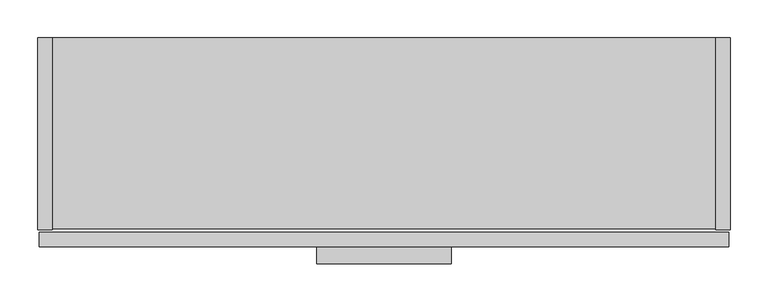
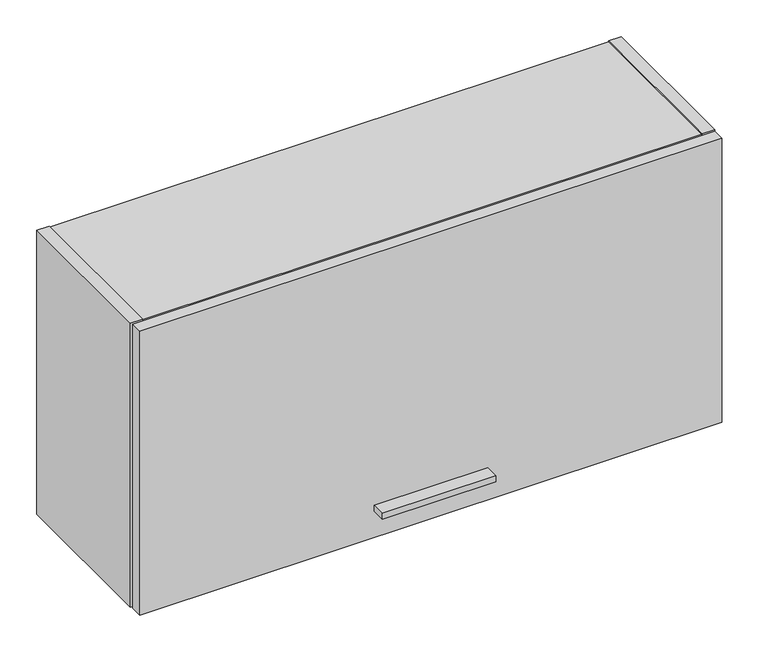
"""IFC4 building model written with IfcOpenShell, lengths in millimetres: furniture geometry."""

from ifc_helpers import new_model, si_unit, point, frame, frame_2d, origin, place, context, project, spatial, polyline, circle_curve, trimmed, segment, composite_curve, outline, extrude, source, transform, mapped, element, save


def furniture_1442b664(model_context):
    return source(origin(), model_context, "Body", "SweptSolid", [
        extrude(outline(polyline([(546.1, -298.45), (368.3, -298.45), (368.3, -276.225), (546.1, -276.225), (546.1, -298.45)])), frame((0.0, 0.0, 1440.8531), z_axis=(0.0, 0.0, 1.0), x_axis=(1.0, 0.0, 0.0)), (0.0, 0.0, 1.0), 9.525),
        extrude(outline(polyline([(912.8125, -276.225), (1.5875, -276.225), (1.5875, -256.921), (912.8125, -256.921), (912.8125, -276.225)])), frame((0.0, 0.0, 1397.0), z_axis=(0.0, 0.0, 1.0), x_axis=(1.0, 0.0, 0.0)), (0.0, 0.0, 1.0), 469.9),
        extrude(outline(polyline([(19.304, -253.746), (0.0, -253.746), (0.0, 0.0), (19.304, 0.0), (19.304, -253.746)])), frame((0.0, 0.0, 1397.0), z_axis=(0.0, 0.0, 1.0), x_axis=(1.0, 0.0, 0.0)), (0.0, 0.0, 1.0), 469.9),
        extrude(outline(composite_curve([segment(polyline([(-253.746, 1397.0), (-253.746, 1866.9), (0.0, 1866.9), (0.0, 1783.842), (-9.5254487, 1783.842)]), True, "CONTINUOUS"), segment(trimmed(circle_curve(frame_2d((-9.5254487, 1780.6674487)), 3.1745513), [point((-9.5254487, 1783.842))], [point((-12.7, 1780.6674487))], True, "CARTESIAN"), True, "CONTINUOUS"), segment(polyline([(-12.7, 1780.6674487), (-12.7, 1679.067)]), True, "CONTINUOUS"), segment(trimmed(circle_curve(frame_2d((-9.525, 1679.067)), 3.175), [point((-12.7, 1679.067))], [point((-9.525, 1675.892))], True, "CARTESIAN"), True, "CONTINUOUS"), segment(polyline([(-9.525, 1675.892), (0.0, 1675.892), (0.0, 1397.0), (-253.746, 1397.0)]), True, "CONTINUOUS")], self_intersect=False)), frame((895.096, 0.0, 0.0), z_axis=(1.0, 0.0, 0.0), x_axis=(0.0, 1.0, 0.0)), (0.0, 0.0, 1.0), 19.304),
        extrude(outline(polyline([(895.096, -252.222), (19.304, -252.222), (19.304, -12.7), (895.096, -12.7), (895.096, -252.222)])), frame((0.0, 0.0, 1398.524), z_axis=(0.0, 0.0, 1.0), x_axis=(1.0, 0.0, 0.0)), (0.0, 0.0, 1.0), 19.304),
        extrude(outline(polyline([(895.096, -12.7), (895.096, -32.004), (19.304, -32.004), (19.304, -12.7), (895.096, -12.7)])), frame((0.0, 0.0, 1417.828), z_axis=(0.0, 0.0, 1.0), x_axis=(1.0, 0.0, 0.0)), (0.0, 0.0, 1.0), 429.768),
        extrude(outline(polyline([(895.096, -252.222), (19.304, -252.222), (19.304, 0.0), (895.096, 0.0), (895.096, -252.222)])), frame((0.0, 0.0, 1847.596), z_axis=(0.0, 0.0, 1.0), x_axis=(1.0, 0.0, 0.0)), (0.0, 0.0, 1.0), 17.78),
    ])


if __name__ == "__main__":
    model = new_model("IFC4")
    model_context = context("Model", 3, world=origin())
    ifc_project = project(units=[si_unit("LENGTHUNIT", "METRE", prefix="MILLI")], contexts=[model_context])
    site = spatial("IfcSite", under=ifc_project)
    building = spatial("IfcBuilding", under=site)
    placement = place(None, origin())
    furniture_shape = furniture_1442b664(model_context)
    element("IfcFurniture", 1, at=placement, inside=building, context=model_context, shape_type="MappedRepresentation", body=[
        mapped(furniture_shape, transform((0.0, 0.0, 0.0), x_axis=(1.0, 0.0, 0.0), y_axis=(0.0, 1.0, 0.0), z_axis=(0.0, 0.0, 1.0))),
    ])
    save(model, "model.ifc")
